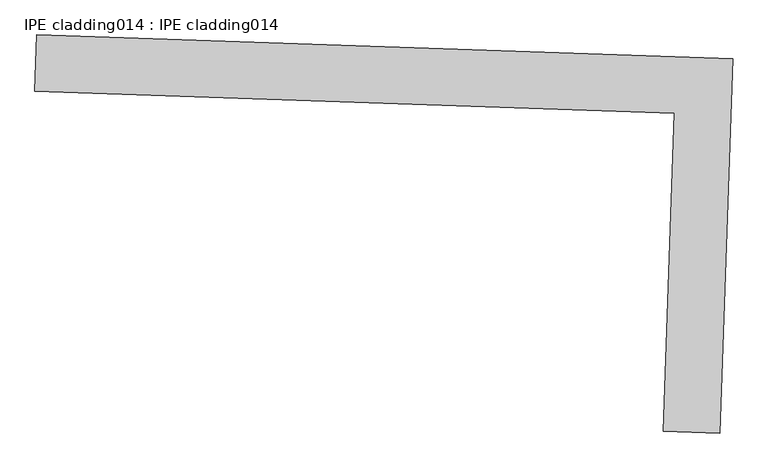
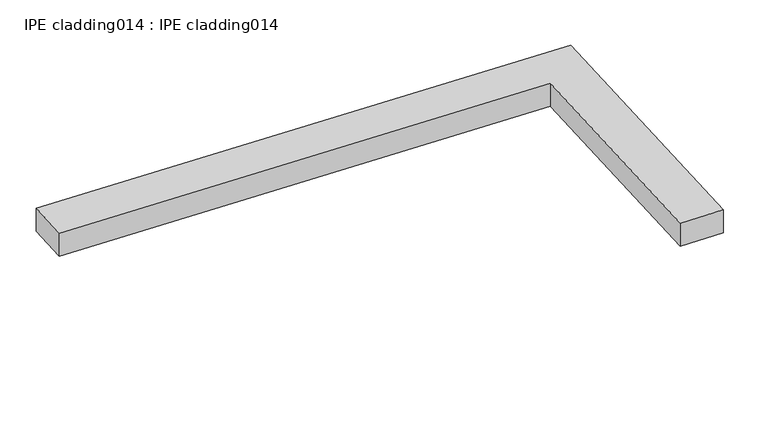
"""IFC4 building model written with IfcOpenShell, lengths in millimetres: proxy geometry, IPE cladding014 : IPE cladding014."""

from ifc_helpers import new_model, si_unit, frame, origin, place, context, project, spatial, polyline, outline, extrude, source, transform, mapped, element, save


def ipe_cladding014_ipe_cladding014_a3c9eb8b(model_context):
    return source(origin(), model_context, "Body", "SweptSolid", [
        extrude(outline(polyline([(17306.5036744, -14579.7358963), (17309.5442113, -14490.8879074), (18404.9713729, -14528.3753799), (18384.8189497, -15117.2524185), (18295.9709606, -15114.2118819), (18313.0828473, -14614.1828319), (17306.5036744, -14579.7358963)])), frame((0.0, 0.0, 1140.775707), z_axis=(0.0, 0.0, 1.0), x_axis=(1.0, 0.0, 0.0)), (0.0, 0.0, 1.0), 50.8),
    ])


if __name__ == "__main__":
    model = new_model("IFC4")
    model_context = context("Model", 3, world=origin())
    ifc_project = project(units=[si_unit("LENGTHUNIT", "METRE", prefix="MILLI")], contexts=[model_context])
    site = spatial("IfcSite", under=ifc_project)
    building = spatial("IfcBuilding", under=site)
    placement = place(None, origin())
    ipe_cladding014_ipe_cladding014_shape = ipe_cladding014_ipe_cladding014_a3c9eb8b(model_context)
    element("IfcBuildingElementProxy", 1, Name="IPE cladding014 : IPE cladding014", ObjectType="IPE cladding014 : IPE cladding014", at=placement, inside=building, context=model_context, shape_type="MappedRepresentation", body=[
        mapped(ipe_cladding014_ipe_cladding014_shape, transform((0.0, 0.0, 0.0), x_axis=(1.0, 0.0, 0.0), y_axis=(0.0, 1.0, 0.0), z_axis=(0.0, 0.0, 1.0))),
    ])
    save(model, "model.ifc")
